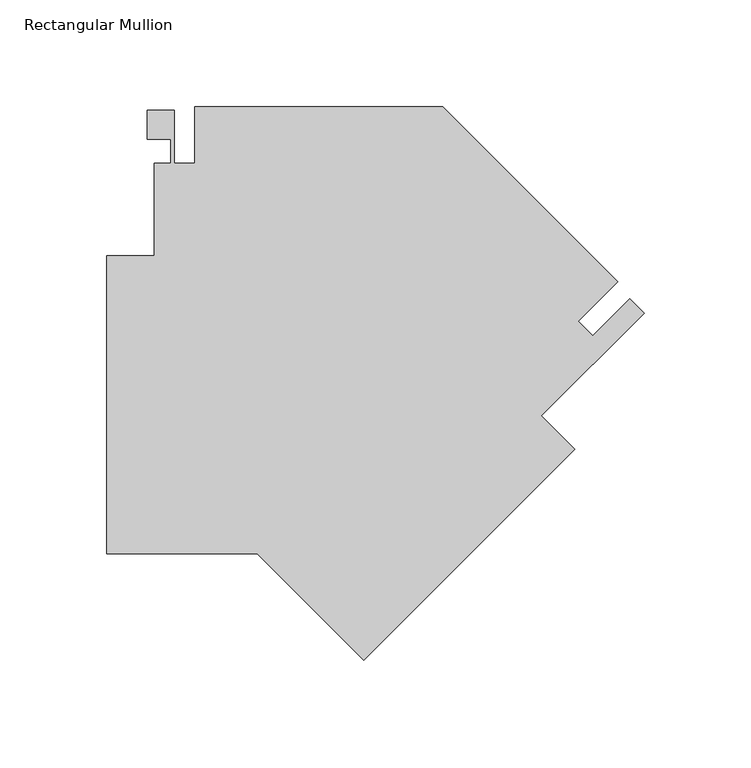
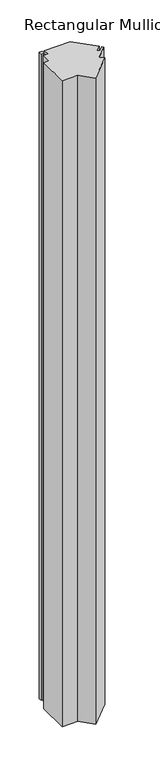
"""IFC4 building model written with IfcOpenShell, lengths in millimetres: member geometry, Rectangular Mullion."""

from ifc_helpers import new_model, si_unit, frame, origin, place, context, project, spatial, polyline, outline, extrude, source, transform, mapped, element, save


def rectangular_mullion_39383f53(model_context):
    return source(origin(), model_context, "Body", "SweptSolid", [
        extrude(outline(polyline([(-181.2800127, -68.9601963), (-251.923876, -68.9601963), (-251.923876, 70.7397987), (-229.698876, 70.7397987), (-229.698876, 114.1056868), (-221.7612627, 114.1056868), (-221.7612627, 125.2227931), (-232.8737627, 125.2227931), (-232.8737627, 138.9895931), (-220.1737627, 138.9895931), (-220.1737627, 114.0984111), (-210.6486495, 114.1420658), (-210.6486495, 140.5897932), (-94.4528562, 140.5897932), (-12.3246775, 58.4616145), (-30.8671688, 39.9191232), (-24.1318967, 33.1838511), (-6.7352721, 50.5804756), (0.0, 43.8452034), (-48.2598924, -4.414689), (-32.5445243, -20.1300572), (-131.3273381, -118.9128709), (-181.2800127, -68.9601963)])), frame((0.0, 0.0, -3048.0), z_axis=(0.0, 0.0, 1.0), x_axis=(1.0, 0.0, 0.0)), (0.0, 0.0, 1.0), 3048.0),
    ])


if __name__ == "__main__":
    model = new_model("IFC4")
    model_context = context("Model", 3, world=origin())
    ifc_project = project(units=[si_unit("LENGTHUNIT", "METRE", prefix="MILLI")], contexts=[model_context])
    site = spatial("IfcSite", under=ifc_project)
    building = spatial("IfcBuilding", under=site)
    placement = place(None, origin())
    rectangular_mullion_shape = rectangular_mullion_39383f53(model_context)
    element("IfcMember", 1, ObjectType="Rectangular Mullion", at=placement, inside=building, context=model_context, shape_type="MappedRepresentation", body=[
        mapped(rectangular_mullion_shape, transform((0.0, 0.0, 0.0), x_axis=(1.0, 0.0, 0.0), y_axis=(0.0, 1.0, 0.0), z_axis=(0.0, 0.0, 1.0))),
    ])
    save(model, "model.ifc")
